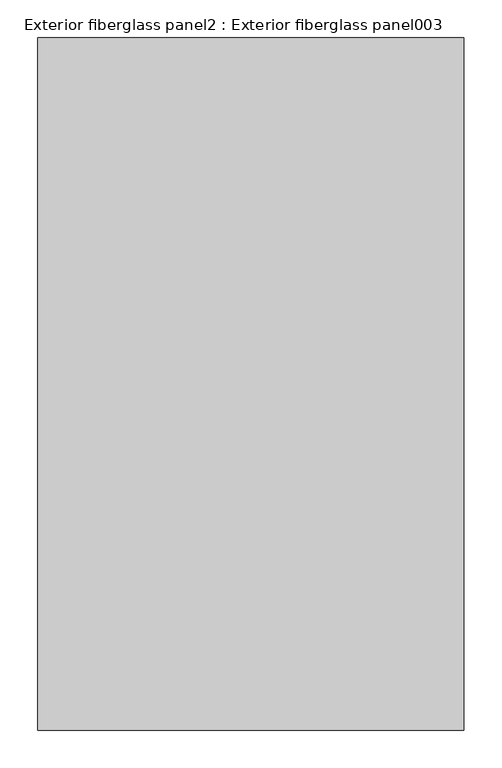
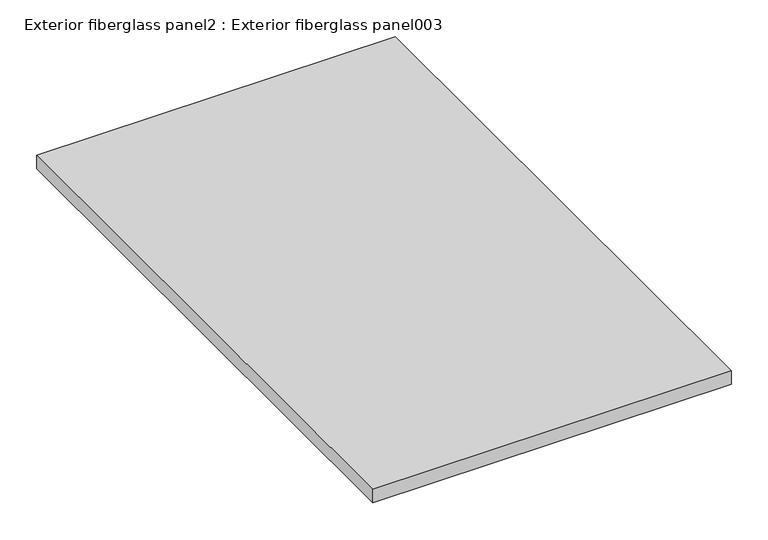
"""IFC4 building model written with IfcOpenShell, lengths in millimetres: proxy geometry, Exterior fiberglass panel2 : Exterior fiberglass panel003."""

from ifc_helpers import new_model, si_unit, frame, origin, place, context, project, spatial, polyline, outline, extrude, source, transform, mapped, element, save


def exterior_fiberglass_panel2_exterior_fiberglass_panel003_f35163f0(model_context):
    return source(origin(), model_context, "Body", "SweptSolid", [
        extrude(outline(polyline([(38215.8178182, -19576.8265625), (37653.1788319, -19576.8265625), (37653.1788319, -18662.4265625), (38215.8178182, -18662.4265625), (38215.8178182, -19576.8265625)])), frame((0.0, 0.0, 2987.675), z_axis=(0.0, 0.0, 1.0), x_axis=(1.0, 0.0, 0.0)), (0.0, 0.0, 1.0), 22.225),
    ])


if __name__ == "__main__":
    model = new_model("IFC4")
    model_context = context("Model", 3, world=origin())
    ifc_project = project(units=[si_unit("LENGTHUNIT", "METRE", prefix="MILLI")], contexts=[model_context])
    site = spatial("IfcSite", under=ifc_project)
    building = spatial("IfcBuilding", under=site)
    placement = place(None, origin())
    exterior_fiberglass_panel2_exterior_fiberglass_panel003_shape = exterior_fiberglass_panel2_exterior_fiberglass_panel003_f35163f0(model_context)
    element("IfcBuildingElementProxy", 1, Name="Exterior fiberglass panel2 : Exterior fiberglass panel003", ObjectType="Exterior fiberglass panel2 : Exterior fiberglass panel003", at=placement, inside=building, context=model_context, shape_type="MappedRepresentation", body=[
        mapped(exterior_fiberglass_panel2_exterior_fiberglass_panel003_shape, transform((0.0, 0.0, 0.0), x_axis=(1.0, 0.0, 0.0), y_axis=(0.0, 1.0, 0.0), z_axis=(0.0, 0.0, 1.0))),
    ])
    save(model, "model.ifc")
